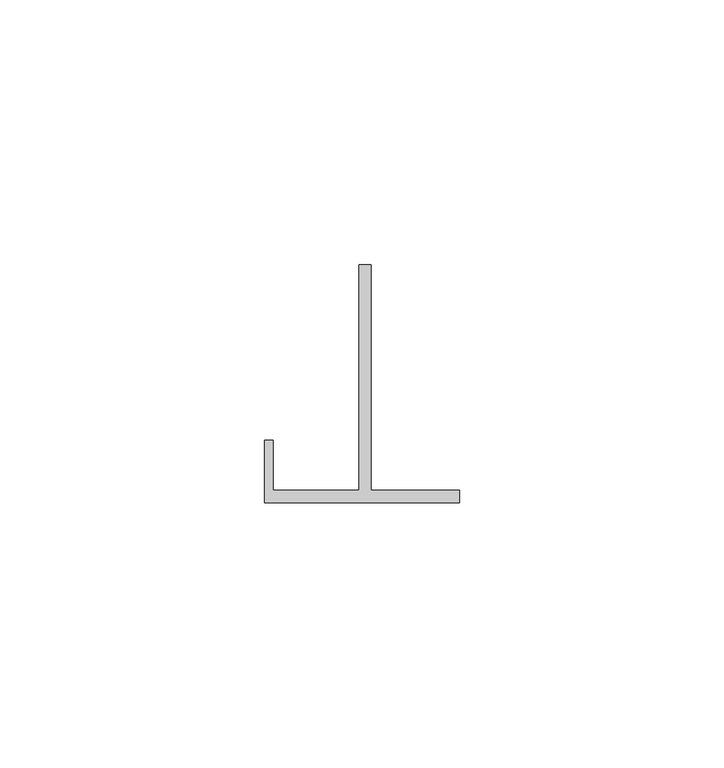
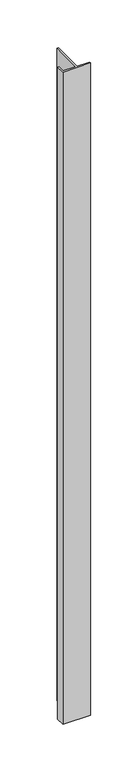
"""IFC4 building model written with IfcOpenShell, lengths in millimetres: proxy geometry."""

from ifc_helpers import new_model, si_unit, frame, origin, place, context, project, spatial, polyline, outline, extrude, source, transform, mapped, element, save


def generic_models_fc6b9ee1(model_context):
    return source(origin(), model_context, "Body", "SweptSolid", [
        extrude(outline(polyline([(37121.8787992, -23926.5682316), (37138.556196, -23926.5682316), (37138.556196, -23928.8554213), (37101.6751766, -23928.8554213), (37101.6751766, -23917.0382902), (37103.2762969, -23917.0382902), (37103.2762969, -23926.5682316), (37119.5915123, -23926.5682316), (37119.5915123, -23883.8740875), (37121.8787992, -23883.8740875), (37121.8787992, -23926.5682316)])), frame((0.0, 0.0, 1524.0), z_axis=(0.0, 0.0, 1.0), x_axis=(1.0, 0.0, 0.0)), (0.0, 0.0, 1.0), 914.4),
    ])


if __name__ == "__main__":
    model = new_model("IFC4")
    model_context = context("Model", 3, world=origin())
    ifc_project = project(units=[si_unit("LENGTHUNIT", "METRE", prefix="MILLI")], contexts=[model_context])
    site = spatial("IfcSite", under=ifc_project)
    building = spatial("IfcBuilding", under=site)
    placement = place(None, origin())
    generic_models_shape = generic_models_fc6b9ee1(model_context)
    element("IfcBuildingElementProxy", 1, Name="Generic Models", at=placement, inside=building, context=model_context, shape_type="MappedRepresentation", body=[
        mapped(generic_models_shape, transform((0.0, 0.0, 0.0), x_axis=(1.0, 0.0, 0.0), y_axis=(0.0, 1.0, 0.0), z_axis=(0.0, 0.0, 1.0))),
    ])
    save(model, "model.ifc")
